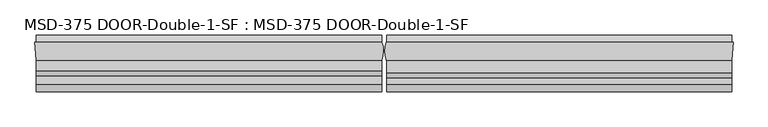
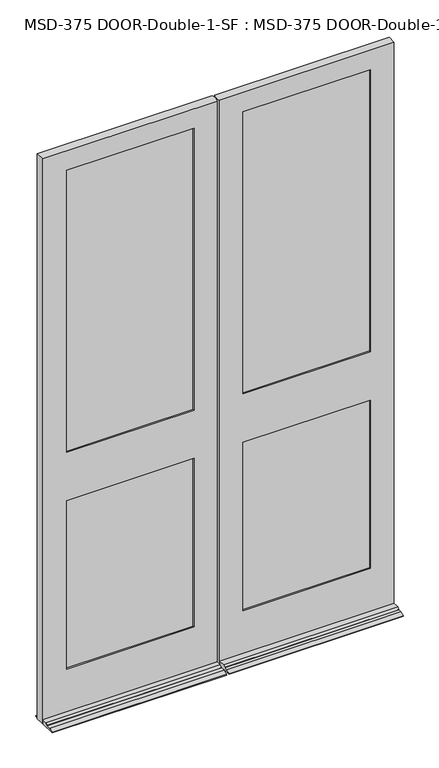
"""IFC4 building model written with IfcOpenShell, lengths in millimetres: plate geometry, MSD-375 DOOR-Double-1-SF : MSD-375 DOOR-Double-1-SF."""

from ifc_helpers import new_model, si_unit, frame, origin, place, context, project, spatial, polyline, circle_curve, outline, extrude, source, transform, mapped, element, save
from ifc_brep_helpers import plane_surface, cylinder_surface, advanced_brep


def msd_375_door_double_1_sf_msd_375_door_double_1_sf_772dcb75(model_context):
    return source(origin(), model_context, "Body", "SolidModel", [
        advanced_brep(
        [(-875.0543684, -44.45, 0.0), (-877.8229684, 0.0, 0.0), (-874.8315257, 0.0, 0.0), (-874.8315257, 19.05, 0.0), (-6.1450388, 19.05, 0.0), (-6.1450388, 0.0, 0.0), (-5.5889985, 0.0, 0.0), (-6.1450388, -44.45, 0.0), (-6.1450388, -123.825, 0.0), (-874.8315257, -123.825, 0.0), (-874.8315257, -44.45, 0.0), (-6.1450388, -44.45, 21.4376), (-6.1450388, -70.3199, 21.4376), (-6.1450388, -82.7405, 14.2748), (-6.1450388, -82.7405, 12.7), (-6.1450388, -104.775, 12.7), (-6.1450388, -123.825, 3.175), (-6.1450388, 19.05, 3.175), (-6.1450388, 0.0, 12.7), (-874.8315257, 0.0, 12.7), (-874.8315257, 19.05, 3.175), (-874.8315257, -123.825, 3.175), (-874.8315257, -104.775, 12.7), (-874.8315257, -82.7405, 12.7), (-874.8315257, -82.7405, 14.2748), (-874.8315257, -70.3199, 21.4376), (-874.8315257, -44.45, 21.4376), (-122.2373508, -11.6078, 1366.0374), (-122.2373508, -37.0078, 1366.0374), (-122.2373508, -37.0078, 1151.7122), (-122.2373508, -11.6078, 1151.7122), (-122.2373508, 0.0, 1131.8748), (-122.2373508, 0.0, 246.0625), (-122.2373508, -11.6078, 246.0625), (-122.2373508, -11.6078, 1131.8748), (-122.2373508, -11.6078, 1385.8748), (-122.2373508, -11.6078, 2870.2), (-122.2373508, 0.0, 2870.2), (-122.2373508, 0.0, 1385.8748), (-102.3999508, -37.0078, 2890.0374), (-102.3999508, -11.6078, 2890.0374), (-102.3999508, -11.6078, 226.21875), (-102.3999508, -37.0078, 226.21875), (-122.2373508, -37.0078, 1131.8748), (-122.2373508, -37.0078, 246.0625), (-122.2373508, -44.45, 246.0625), (-122.2373508, -44.45, 1131.8748), (-122.2373508, -44.45, 1385.8748), (-122.2373508, -44.45, 2870.2), (-122.2373508, -37.0078, 2870.2), (-122.2373508, -37.0078, 1385.8748), (-757.1729684, -44.45, 246.0625), (-757.1729684, -37.0078, 246.0625), (-757.1729684, -37.0078, 1131.8748), (-757.1729684, -44.45, 1131.8748), (-757.1729684, -37.0078, 2870.2), (-757.1729684, -44.45, 2870.2), (-757.1729684, -44.45, 1385.8748), (-757.1729684, -37.0078, 1385.8748), (-777.0103684, -11.6078, 2890.0374), (-777.0103684, -37.0078, 2890.0374), (-777.0103684, -37.0078, 226.21875), (-777.0103684, -11.6078, 226.21875), (-757.1729684, -11.6078, 246.0625), (-757.1729684, 0.0, 246.0625), (-757.1729684, 0.0, 1131.8748), (-757.1729684, -11.6078, 1131.8748), (-757.1729684, 0.0, 2870.2), (-757.1729684, -11.6078, 2870.2), (-757.1729684, -11.6078, 1385.8748), (-757.1729684, 0.0, 1385.8748), (-757.1729684, -11.6078, 1366.0374), (-757.1729684, -37.0078, 1366.0374), (-757.1729684, -37.0078, 1151.7122), (-757.1729684, -11.6078, 1151.7122), (-5.5889985, 0.0, 2971.8), (-6.1450388, -44.45, 2971.8), (-875.0543684, -44.45, 2971.8), (-877.8229684, 0.0, 2971.8)],
        [
            (0, 1),
            (1, 2),
            (2, 3),
            (3, 4),
            (4, 5),
            (5, 6),
            (6, 7, circle_curve(frame((-61.4514685, -21.529675, 0.0), z_axis=(0.0, 0.0, -1.0), x_axis=(0.0, -1.0, 0.0)), 59.867708)),
            (7, 8),
            (8, 9),
            (9, 10),
            (10, 0),
            (11, 12),
            (12, 13),
            (13, 14),
            (14, 15),
            (15, 16),
            (16, 8),
            (7, 11),
            (4, 17),
            (17, 18),
            (18, 5),
            (19, 20),
            (20, 3),
            (2, 19),
            (9, 21),
            (21, 22),
            (22, 23),
            (23, 24),
            (24, 25),
            (25, 26),
            (26, 10),
            (27, 28),
            (28, 29),
            (29, 30),
            (30, 27),
            (31, 32),
            (32, 33),
            (33, 34),
            (34, 31),
            (35, 36),
            (36, 37),
            (37, 38),
            (38, 35),
            (39, 40),
            (40, 41),
            (41, 42),
            (42, 39),
            (43, 44),
            (44, 45),
            (45, 46),
            (46, 43),
            (47, 48),
            (48, 49),
            (49, 50),
            (50, 47),
            (51, 52),
            (52, 53),
            (53, 54),
            (54, 51),
            (55, 56),
            (56, 57),
            (57, 58),
            (58, 55),
            (59, 60),
            (60, 61),
            (61, 62),
            (62, 59),
            (63, 64),
            (64, 65),
            (65, 66),
            (66, 63),
            (67, 68),
            (68, 69),
            (69, 70),
            (70, 67),
            (63, 33),
            (32, 64),
            (61, 42),
            (41, 62),
            (51, 45),
            (44, 52),
            (11, 26),
            (25, 12),
            (24, 13),
            (23, 14),
            (22, 15),
            (21, 16),
            (20, 17),
            (19, 18),
            (38, 70),
            (69, 35),
            (27, 71),
            (71, 72),
            (72, 28),
            (50, 58),
            (57, 47),
            (46, 54),
            (53, 43),
            (29, 73),
            (73, 74),
            (74, 30),
            (34, 66),
            (65, 31),
            (75, 76, circle_curve(frame((-61.4514685, -21.529675, 2971.8), z_axis=(0.0, 0.0, -1.0), x_axis=(0.0, -1.0, 0.0)), 59.867708)),
            (76, 11),
            (6, 75),
            (77, 78),
            (78, 1),
            (0, 77),
            (78, 75),
            (37, 67),
            (36, 68),
            (40, 59),
            (74, 71),
            (39, 60),
            (49, 55),
            (72, 73),
            (48, 56),
            (76, 77),
        ],
        [
            plane_surface(frame((-882.6501356, -24.3078, 0.0), z_axis=(0.0, 0.0, -1.0), x_axis=(0.0, -1.0, 0.0))),
            plane_surface(frame((-6.1450388, -24.3078, 0.0), z_axis=(1.0, 0.0, 0.0), x_axis=(0.0, -1.0, 0.0))),
            plane_surface(frame((-874.8315257, -24.3078, 0.0), z_axis=(-1.0, 0.0, 0.0), x_axis=(0.0, -1.0, 0.0))),
            plane_surface(frame((-122.2373508, -24.3078, 1492.25), z_axis=(1.0, 0.0, 0.0), x_axis=(0.0, -1.0, 0.0))),
            plane_surface(frame((-122.2373508, 0.0, 2971.8), z_axis=(-1.0, 0.0, 0.0), x_axis=(0.0, 0.0, -1.0))),
            plane_surface(frame((-102.3999508, -11.6078, 2971.8), z_axis=(-1.0, 0.0, 0.0), x_axis=(0.0, 0.0, -1.0))),
            plane_surface(frame((-122.2373508, -37.0078, 2971.8), z_axis=(-1.0, 0.0, 0.0), x_axis=(0.0, 0.0, -1.0))),
            plane_surface(frame((-757.1729684, -44.45, 2971.8), z_axis=(1.0, 0.0, 0.0), x_axis=(0.0, 0.0, -1.0))),
            plane_surface(frame((-777.0103684, -37.0078, 2971.8), z_axis=(1.0, 0.0, 0.0), x_axis=(0.0, 0.0, -1.0))),
            plane_surface(frame((-757.1729684, -11.6078, 2971.8), z_axis=(1.0, 0.0, 0.0), x_axis=(0.0, 0.0, -1.0))),
            plane_surface(frame((-6.1450388, 0.0, 246.0625), z_axis=(0.0, 0.0, 1.0), x_axis=(-1.0, 0.0, 0.0))),
            plane_surface(frame((-6.1450388, -11.6078, 226.21875), z_axis=(0.0, 0.0, 1.0), x_axis=(-1.0, 0.0, 0.0))),
            plane_surface(frame((-6.1450388, -37.0078, 246.0625), z_axis=(0.0, 0.0, 1.0), x_axis=(-1.0, 0.0, 0.0))),
            plane_surface(frame((-6.1450388, -44.45, 21.4376), z_axis=(0.0, 0.0, 1.0), x_axis=(-1.0, 0.0, 0.0))),
            plane_surface(frame((-6.1450388, -70.3199, 21.4376), z_axis=(0.0, -0.4995690841887311, 0.8662740502420885), x_axis=(-1.0, 0.0, 0.0))),
            plane_surface(frame((-6.1450388, -82.7405, 14.2748), z_axis=(0.0, -1.0, 0.0), x_axis=(-1.0, 0.0, 0.0))),
            plane_surface(frame((-6.1450388, -82.7405, 12.7), z_axis=(0.0, 0.0, 1.0), x_axis=(-1.0, 0.0, 0.0))),
            plane_surface(frame((-6.1450388, -104.775, 12.7), z_axis=(0.0, -0.44721359549996303, 0.8944271909999134), x_axis=(-1.0, 0.0, 0.0))),
            plane_surface(frame((-6.1450388, -123.825, 3.175), z_axis=(0.0, -1.0, 0.0), x_axis=(-1.0, 0.0, 0.0))),
            plane_surface(frame((-6.1450388, 19.05, 0.0), z_axis=(0.0, 1.0, 0.0), x_axis=(-1.0, 0.0, 0.0))),
            plane_surface(frame((-6.1450388, 19.05, 3.175), z_axis=(0.0, 0.4472135954998544, 0.8944271909999677), x_axis=(-1.0, 0.0, 0.0))),
            plane_surface(frame((-122.2373508, 0.0, 1385.8748), z_axis=(0.0, 0.0, 1.0), x_axis=(-1.0, 0.0, 0.0))),
            plane_surface(frame((-122.2373508, -11.6078, 1366.0374), z_axis=(0.0, 0.0, 1.0), x_axis=(-1.0, 0.0, 0.0))),
            plane_surface(frame((-122.2373508, -37.0078, 1385.8748), z_axis=(0.0, 0.0, 1.0), x_axis=(-1.0, 0.0, 0.0))),
            plane_surface(frame((-122.2373508, -44.45, 1131.8748), z_axis=(0.0, 0.0, -1.0), x_axis=(-1.0, 0.0, 0.0))),
            plane_surface(frame((-122.2373508, -37.0078, 1151.7122), z_axis=(0.0, 0.0, -1.0), x_axis=(-1.0, 0.0, 0.0))),
            plane_surface(frame((-122.2373508, -11.6078, 1131.8748), z_axis=(0.0, 0.0, -1.0), x_axis=(-1.0, 0.0, 0.0))),
            cylinder_surface(frame((-61.4514685, -21.529675, 2971.8), z_axis=(0.0, 0.0, 1.0), x_axis=(0.0, -1.0, 0.0)), 59.867708),
            plane_surface(frame((-877.8229684, 0.0, 2971.8), z_axis=(-0.998065870687919, -0.06216524565998525, 0.0), x_axis=(0.0, 0.0, -1.0))),
            plane_surface(frame((-875.0543684, 0.0, 2971.8), z_axis=(0.0, 1.0, 0.0), x_axis=(1.0, 0.0, 0.0))),
            plane_surface(frame((-875.0543684, 0.0, 2870.2), z_axis=(0.0, 0.0, -1.0), x_axis=(1.0, 0.0, 0.0))),
            plane_surface(frame((-875.0543684, -11.6078, 2870.2), z_axis=(0.0, -1.0, 0.0), x_axis=(1.0, 0.0, 0.0))),
            plane_surface(frame((-875.0543684, -11.6078, 2890.0374), z_axis=(0.0, 0.0, -1.0), x_axis=(1.0, 0.0, 0.0))),
            plane_surface(frame((-875.0543684, -37.0078, 2890.0374), z_axis=(0.0, 1.0, 0.0), x_axis=(1.0, 0.0, 0.0))),
            plane_surface(frame((-875.0543684, -37.0078, 2870.2), z_axis=(0.0, 0.0, -1.0), x_axis=(1.0, 0.0, 0.0))),
            plane_surface(frame((-875.0543684, -44.45, 2870.2), z_axis=(0.0, -1.0, 0.0), x_axis=(1.0, 0.0, 0.0))),
            plane_surface(frame((-875.0543684, -44.45, 2971.8), z_axis=(0.0, 0.0, 1.0), x_axis=(1.0, 0.0, 0.0))),
            plane_surface(frame((-757.1729684, -24.3078, 1492.25), z_axis=(-1.0, 0.0, 0.0), x_axis=(0.0, -1.0, 0.0))),
        ],
        [
            (0, [[1, 2, 3, 4, 5, 6, 7, 8, 9, 10, 11]]),
            (1, [[12, 13, 14, 15, 16, 17, -8, 18]]),
            (1, [[19, 20, 21, -5]]),
            (2, [[22, 23, -3, 24]]),
            (2, [[25, 26, 27, 28, 29, 30, 31, -10]]),
            (3, [[32, 33, 34, 35]]),
            (4, [[36, 37, 38, 39]]),
            (4, [[40, 41, 42, 43]]),
            (5, [[44, 45, 46, 47]]),
            (6, [[48, 49, 50, 51]]),
            (6, [[52, 53, 54, 55]]),
            (7, [[56, 57, 58, 59]]),
            (7, [[60, 61, 62, 63]]),
            (8, [[64, 65, 66, 67]]),
            (9, [[68, 69, 70, 71]]),
            (9, [[72, 73, 74, 75]]),
            (10, [[-68, 76, -37, 77]]),
            (11, [[-66, 78, -46, 79]]),
            (12, [[-56, 80, -49, 81]]),
            (13, [[-12, 82, -30, 83]]),
            (14, [[-13, -83, -29, 84]]),
            (15, [[-14, -84, -28, 85]]),
            (16, [[-15, -85, -27, 86]]),
            (17, [[-16, -86, -26, 87]]),
            (18, [[-17, -87, -25, -9]]),
            (19, [[-19, -4, -23, 88]]),
            (20, [[-20, -88, -22, 89]]),
            (21, [[90, -74, 91, -43]]),
            (22, [[-32, 92, 93, 94]]),
            (23, [[95, -62, 96, -55]]),
            (24, [[97, -58, 98, -51]]),
            (25, [[-34, 99, 100, 101]]),
            (26, [[102, -70, 103, -39]]),
            (27, [[104, 105, -18, -7, 106]]),
            (28, [[107, 108, -1, 109]]),
            (29, [[-108, 110, -106, -6, -21, -89, -24, -2], [-90, -42, 111, -75], [-103, -69, -77, -36]]),
            (30, [[-72, -111, -41, 112]]),
            (31, [[-67, -79, -45, 113], [-92, -35, -101, 114], [-102, -38, -76, -71], [-91, -73, -112, -40]]),
            (32, [[-64, -113, -44, 115]]),
            (33, [[-65, -115, -47, -78], [-95, -54, 116, -63], [-94, 117, -99, -33], [-98, -57, -81, -48]]),
            (34, [[-60, -116, -53, 118]]),
            (35, [[-109, -11, -31, -82, -105, 119], [-97, -50, -80, -59], [-96, -61, -118, -52]]),
            (36, [[-107, -119, -104, -110]]),
            (37, [[-100, -117, -93, -114]]),
        ],
    ),
        advanced_brep(
        [(6.1450388, -44.45, 0.0), (5.5889985, 0.0, 0.0), (6.1450388, 0.0, 0.0), (6.1450388, 19.05, 0.0), (874.318935, 19.05, 0.0), (874.318935, 0.0, 0.0), (877.3103777, 0.0, 0.0), (874.5417777, -44.45, 0.0), (874.318935, -44.45, 0.0), (874.318935, -123.825, 0.0), (6.1450388, -123.825, 0.0), (874.318935, -44.45, 21.4376), (874.318935, -75.87615, 21.4376), (874.318935, -88.29675, 14.2748), (874.318935, -88.29675, 12.7), (874.318935, -104.775, 12.7), (874.318935, -123.825, 3.175), (874.318935, 19.05, 3.175), (874.318935, 0.0, 12.7), (6.1450388, 0.0, 12.7), (6.1450388, 19.05, 3.175), (6.1450388, -123.825, 3.175), (6.1450388, -104.775, 12.7), (6.1450388, -88.29675, 12.7), (6.1450388, -88.29675, 14.2748), (6.1450388, -75.87615, 21.4376), (6.1450388, -44.45, 21.4376), (5.5889985, -44.45, 2870.2), (5.5889985, -44.45, 2971.8), (5.5889985, -43.05935, 2971.8), (5.5889985, -43.05935, 2870.2), (122.2376492, -37.0078, 1366.0374), (122.2376492, -11.6078, 1366.0374), (122.2376492, -11.6078, 1151.7249), (122.2376492, -37.0078, 1151.7249), (122.2376492, -37.0078, 2870.2), (122.2376492, -44.45, 2870.2), (122.2376492, -44.45, 1385.8748), (122.2376492, -37.0078, 1385.8748), (122.2376492, -37.0078, 1131.8748), (122.2376492, -44.45, 1131.8748), (122.2376492, -44.45, 246.0625), (122.2376492, -37.0078, 246.0625), (102.4002492, -11.6078, 226.21875), (102.4002492, -11.6078, 2890.0374), (102.4002492, -37.0078, 2890.0374), (102.4002492, -37.0078, 226.21875), (122.2376492, 0.0, 2870.2), (122.2376492, -11.6078, 2870.2), (122.2376492, -11.6078, 1385.8748), (122.2376492, 0.0, 1385.8748), (122.2376492, 0.0, 1131.8748), (122.2376492, -11.6078, 1131.8748), (122.2376492, -11.6078, 246.0625), (122.2376492, 0.0, 246.0625), (756.6603777, -11.6078, 2870.2), (756.6603777, 0.0, 2870.2), (756.6603777, 0.0, 1385.8748), (756.6603777, -11.6078, 1385.8748), (756.6603777, -11.6078, 1131.8748), (756.6603777, 0.0, 1131.8748), (756.6603777, 0.0, 246.0625), (756.6603777, -11.6078, 246.0625), (776.4977777, -11.6078, 2890.0374), (776.4977777, -11.6078, 226.21875), (756.6603777, -11.6078, 1151.7249), (756.6603777, -11.6078, 1366.0374), (776.4977777, -37.0078, 226.21875), (776.4977777, -37.0078, 2890.0374), (756.6603777, -37.0078, 246.0625), (756.6603777, -37.0078, 1131.8748), (756.6603777, -37.0078, 2870.2), (756.6603777, -37.0078, 1385.8748), (756.6603777, -37.0078, 1151.7249), (756.6603777, -37.0078, 1366.0374), (756.6603777, -44.45, 2870.2), (756.6603777, -44.45, 1385.8748), (756.6603777, -44.45, 1131.8748), (756.6603777, -44.45, 246.0625), (6.1450388, -44.45, 2870.2), (874.5417777, -44.45, 2971.8), (877.3103777, 0.0, 2971.8), (5.5889985, 0.0, 2971.8)],
        [
            (0, 1, circle_curve(frame((61.4514685, -21.529675, 0.0), z_axis=(0.0, 0.0, -1.0), x_axis=(0.0, -1.0, 0.0)), 59.867708)),
            (1, 2),
            (2, 3),
            (3, 4),
            (4, 5),
            (5, 6),
            (6, 7),
            (7, 8),
            (8, 9),
            (9, 10),
            (10, 0),
            (11, 12),
            (12, 13),
            (13, 14),
            (14, 15),
            (15, 16),
            (16, 9),
            (8, 11),
            (4, 17),
            (17, 18),
            (18, 5),
            (19, 20),
            (20, 3),
            (2, 19),
            (10, 21),
            (21, 22),
            (22, 23),
            (23, 24),
            (24, 25),
            (25, 26),
            (26, 0),
            (27, 28),
            (28, 29),
            (29, 30),
            (30, 27),
            (31, 32),
            (32, 33),
            (33, 34),
            (34, 31),
            (35, 36),
            (36, 37),
            (37, 38),
            (38, 35),
            (39, 40),
            (40, 41),
            (41, 42),
            (42, 39),
            (43, 44),
            (44, 45),
            (45, 46),
            (46, 43),
            (47, 48),
            (48, 49),
            (49, 50),
            (50, 47),
            (51, 52),
            (52, 53),
            (53, 54),
            (54, 51),
            (55, 56),
            (56, 57),
            (57, 58),
            (58, 55),
            (59, 60),
            (60, 61),
            (61, 62),
            (62, 59),
            (63, 44),
            (43, 64),
            (64, 63),
            (62, 53),
            (52, 59),
            (48, 55),
            (58, 49),
            (65, 33),
            (32, 66),
            (66, 65),
            (67, 68),
            (68, 63),
            (64, 67),
            (45, 68),
            (67, 46),
            (42, 69),
            (69, 70),
            (70, 39),
            (71, 35),
            (38, 72),
            (72, 71),
            (34, 73),
            (73, 74),
            (74, 31),
            (75, 71),
            (72, 76),
            (76, 75),
            (77, 70),
            (69, 78),
            (78, 77),
            (27, 79),
            (79, 26),
            (26, 11),
            (7, 80),
            (80, 28),
            (78, 41),
            (40, 77),
            (36, 75),
            (76, 37),
            (81, 80),
            (6, 81),
            (18, 19),
            (1, 82),
            (82, 81),
            (54, 61),
            (60, 51),
            (56, 47),
            (50, 57),
            (30, 79, circle_curve(frame((61.4514685, -21.529675, 2870.2), z_axis=(0.0, 0.0, 1.0), x_axis=(0.0, -1.0, 0.0)), 59.867708)),
            (25, 12),
            (65, 73),
            (74, 66),
            (29, 82, circle_curve(frame((61.4514685, -21.529675, 2971.8), z_axis=(0.0, 0.0, -1.0), x_axis=(0.0, -1.0, 0.0)), 59.867708)),
            (24, 13),
            (23, 14),
            (22, 15),
            (21, 16),
            (20, 17),
        ],
        [
            plane_surface(frame((-882.6501356, -24.3078, 0.0), z_axis=(0.0, 0.0, -1.0), x_axis=(0.0, -1.0, 0.0))),
            plane_surface(frame((874.318935, -24.3078, 0.0), z_axis=(1.0, 0.0, 0.0), x_axis=(0.0, -1.0, 0.0))),
            plane_surface(frame((6.1450388, -24.3078, 0.0), z_axis=(-1.0, 0.0, 0.0), x_axis=(0.0, -1.0, 0.0))),
            plane_surface(frame((5.5889985, -24.3078, 2984.5), z_axis=(-1.0, 0.0, 0.0), x_axis=(0.0, -1.0, 0.0))),
            plane_surface(frame((122.2376492, -24.3078, 1492.25), z_axis=(-1.0, 0.0, 0.0), x_axis=(0.0, -1.0, 0.0))),
            plane_surface(frame((122.2376492, -44.45, 2971.8), z_axis=(1.0, 0.0, 0.0), x_axis=(0.0, 0.0, -1.0))),
            plane_surface(frame((102.4002492, -37.0078, 2971.8), z_axis=(1.0, 0.0, 0.0), x_axis=(0.0, 0.0, -1.0))),
            plane_surface(frame((122.2376492, -11.6078, 2971.8), z_axis=(1.0, 0.0, 0.0), x_axis=(0.0, 0.0, -1.0))),
            plane_surface(frame((756.6603777, 0.0, 2971.8), z_axis=(-1.0, 0.0, 0.0), x_axis=(0.0, 0.0, -1.0))),
            plane_surface(frame((756.6603777, -11.6078, 2971.8), z_axis=(0.0, -1.0, 0.0), x_axis=(0.0, 0.0, -1.0))),
            plane_surface(frame((776.4977777, -11.6078, 2971.8), z_axis=(-1.0, 0.0, 0.0), x_axis=(0.0, 0.0, -1.0))),
            plane_surface(frame((776.4977777, -37.0078, 2971.8), z_axis=(0.0, 1.0, 0.0), x_axis=(0.0, 0.0, -1.0))),
            plane_surface(frame((756.6603777, -37.0078, 2971.8), z_axis=(-1.0, 0.0, 0.0), x_axis=(0.0, 0.0, -1.0))),
            plane_surface(frame((756.6603777, -44.45, 2971.8), z_axis=(0.0, -1.0, 0.0), x_axis=(0.0, 0.0, -1.0))),
            plane_surface(frame((874.5417777, -44.45, 2971.8), z_axis=(0.9980658706879184, -0.062165245659993755, 0.0), x_axis=(0.0, 0.0, -1.0))),
            plane_surface(frame((877.3103777, 0.0, 2971.8), z_axis=(0.0, 1.0, 0.0), x_axis=(0.0, 0.0, -1.0))),
            plane_surface(frame((5.5889985, 0.0, 2870.2), z_axis=(0.0, 0.0, -1.0), x_axis=(1.0, 0.0, 0.0))),
            plane_surface(frame((5.5889985, -11.6078, 2890.0374), z_axis=(0.0, 0.0, -1.0), x_axis=(1.0, 0.0, 0.0))),
            plane_surface(frame((5.5889985, -37.0078, 2870.2), z_axis=(0.0, 0.0, -1.0), x_axis=(1.0, 0.0, 0.0))),
            plane_surface(frame((874.318935, 0.0, 246.0625), z_axis=(0.0, 0.0, 1.0), x_axis=(-1.0, 0.0, 0.0))),
            plane_surface(frame((874.318935, -11.6078, 226.21875), z_axis=(0.0, 0.0, 1.0), x_axis=(-1.0, 0.0, 0.0))),
            plane_surface(frame((874.318935, -37.0078, 246.0625), z_axis=(0.0, 0.0, 1.0), x_axis=(-1.0, 0.0, 0.0))),
            plane_surface(frame((874.318935, -44.45, 21.4376), z_axis=(0.0, 0.0, 1.0), x_axis=(-1.0, 0.0, 0.0))),
            plane_surface(frame((756.6603777, -44.45, 1131.8748), z_axis=(0.0, 0.0, -1.0), x_axis=(-1.0, 0.0, 0.0))),
            plane_surface(frame((756.6603777, -37.0078, 1151.7249), z_axis=(0.0, 0.0, -1.0), x_axis=(-1.0, 0.0, 0.0))),
            plane_surface(frame((756.6603777, -11.6078, 1131.8748), z_axis=(0.0, 0.0, -1.0), x_axis=(-1.0, 0.0, 0.0))),
            plane_surface(frame((756.6603777, 0.0, 1385.8748), z_axis=(0.0, 0.0, 1.0), x_axis=(-1.0, 0.0, 0.0))),
            plane_surface(frame((756.6603777, -11.6078, 1366.0374), z_axis=(0.0, 0.0, 1.0), x_axis=(-1.0, 0.0, 0.0))),
            plane_surface(frame((756.6603777, -37.0078, 1385.8748), z_axis=(0.0, 0.0, 1.0), x_axis=(-1.0, 0.0, 0.0))),
            cylinder_surface(frame((61.4514685, -21.529675, 2971.8), z_axis=(0.0, 0.0, 1.0), x_axis=(0.0, -1.0, 0.0)), 59.867708),
            plane_surface(frame((-875.0543684, -44.45, 2971.8), z_axis=(0.0, 0.0, 1.0), x_axis=(1.0, 0.0, 0.0))),
            plane_surface(frame((874.318935, -75.87615, 21.4376), z_axis=(0.0, -0.49956908418867657, 0.86627405024212), x_axis=(-1.0, 0.0, 0.0))),
            plane_surface(frame((874.318935, -88.29675, 14.2748), z_axis=(0.0, -1.0, 0.0), x_axis=(-1.0, 0.0, 0.0))),
            plane_surface(frame((874.318935, -88.29675, 12.7), z_axis=(0.0, 0.0, 1.0), x_axis=(-1.0, 0.0, 0.0))),
            plane_surface(frame((874.318935, -104.775, 12.7), z_axis=(0.0, -0.44721359549996875, 0.8944271909999105), x_axis=(-1.0, 0.0, 0.0))),
            plane_surface(frame((874.318935, -123.825, 3.175), z_axis=(0.0, -1.0, 0.0), x_axis=(-1.0, 0.0, 0.0))),
            plane_surface(frame((874.318935, 19.05, 0.0), z_axis=(0.0, 1.0, 0.0), x_axis=(-1.0, 0.0, 0.0))),
            plane_surface(frame((874.318935, 19.05, 3.175), z_axis=(0.0, 0.44721359549990647, 0.8944271909999417), x_axis=(-1.0, 0.0, 0.0))),
            plane_surface(frame((756.6603777, -24.3078, 1492.25), z_axis=(1.0, 0.0, 0.0), x_axis=(0.0, -1.0, 0.0))),
        ],
        [
            (0, [[1, 2, 3, 4, 5, 6, 7, 8, 9, 10, 11]]),
            (1, [[12, 13, 14, 15, 16, 17, -9, 18]]),
            (1, [[19, 20, 21, -5]]),
            (2, [[22, 23, -3, 24]]),
            (2, [[25, 26, 27, 28, 29, 30, 31, -11]]),
            (3, [[32, 33, 34, 35]]),
            (4, [[36, 37, 38, 39]]),
            (5, [[40, 41, 42, 43]]),
            (5, [[44, 45, 46, 47]]),
            (6, [[48, 49, 50, 51]]),
            (7, [[52, 53, 54, 55]]),
            (7, [[56, 57, 58, 59]]),
            (8, [[60, 61, 62, 63]]),
            (8, [[64, 65, 66, 67]]),
            (9, [[68, -48, 69, 70], [-67, 71, -57, 72], [73, -63, 74, -53], [75, -37, 76, 77]]),
            (10, [[78, 79, -70, 80]]),
            (11, [[81, -78, 82, -50], [-47, 83, 84, 85], [86, -43, 87, 88], [89, 90, 91, -39]]),
            (12, [[92, -88, 93, 94]]),
            (12, [[95, -84, 96, 97]]),
            (13, [[-32, 98, 99, 100, -18, -8, 101, 102], [-97, 103, -45, 104], [105, -94, 106, -41]]),
            (14, [[107, -101, -7, 108]]),
            (15, [[-108, -6, -21, 109, -24, -2, 110, 111], [-59, 112, -65, 113], [114, -55, 115, -61]]),
            (16, [[-73, -52, -114, -60]]),
            (17, [[-79, -81, -49, -68]]),
            (18, [[-98, -35, 116]]),
            (18, [[-105, -40, -86, -92]]),
            (19, [[-112, -58, -71, -66]]),
            (20, [[-82, -80, -69, -51]]),
            (21, [[-83, -46, -103, -96]]),
            (22, [[-12, -100, -30, 117]]),
            (23, [[-104, -44, -85, -95]]),
            (24, [[118, -89, -38, -75]]),
            (25, [[-72, -56, -113, -64]]),
            (26, [[-115, -54, -74, -62]]),
            (27, [[119, -76, -36, -91]]),
            (28, [[-106, -93, -87, -42]]),
            (29, [[-1, -31, -99, -116, -34, 120, -110]]),
            (30, [[-107, -111, -120, -33, -102]]),
            (31, [[-13, -117, -29, 121]]),
            (32, [[-14, -121, -28, 122]]),
            (33, [[-15, -122, -27, 123]]),
            (34, [[-16, -123, -26, 124]]),
            (35, [[-17, -124, -25, -10]]),
            (36, [[-19, -4, -23, 125]]),
            (37, [[-109, -20, -125, -22]]),
            (38, [[-118, -77, -119, -90]]),
        ],
    ),
        extrude(outline(polyline([(-777.0103684, -11.6078), (-102.3999508, -11.6078), (-102.3999508, -16.6878), (-777.0103684, -16.6878), (-777.0103684, -11.6078)])), frame((0.0, 0.0, 1366.0374), z_axis=(0.0, 0.0, 1.0), x_axis=(1.0, 0.0, 0.0)), (0.0, 0.0, 1.0), 1524.0),
        extrude(outline(polyline([(-102.4001, -26.0858), (-102.4001, -31.1658), (-777.0103684, -31.1658), (-777.0103684, -26.0858), (-102.4001, -26.0858)])), frame((0.0, 0.0, 1366.0374), z_axis=(0.0, 0.0, 1.0), x_axis=(1.0, 0.0, 0.0)), (0.0, 0.0, 1.0), 1524.0),
        extrude(outline(polyline([(-102.4001, -31.9278), (-102.4001, -37.0078), (-777.0103684, -37.0078), (-777.0103684, -31.9278), (-102.4001, -31.9278)])), frame((0.0, 0.0, 1366.0374), z_axis=(0.0, 0.0, 1.0), x_axis=(1.0, 0.0, 0.0)), (0.0, 0.0, 1.0), 1524.0),
        extrude(outline(polyline([(-777.0103684, -11.6078), (-102.4001, -11.6078), (-102.4001, -16.6878), (-777.0103684, -16.6878), (-777.0103684, -11.6078)])), frame((0.0, 0.0, 226.21875), z_axis=(0.0, 0.0, 1.0), x_axis=(1.0, 0.0, 0.0)), (0.0, 0.0, 1.0), 925.50615),
        extrude(outline(polyline([(-102.4001, -26.0858), (-102.4001, -31.1658), (-777.0103684, -31.1658), (-777.0103684, -26.0858), (-102.4001, -26.0858)])), frame((0.0, 0.0, 226.21875), z_axis=(0.0, 0.0, 1.0), x_axis=(1.0, 0.0, 0.0)), (0.0, 0.0, 1.0), 925.50615),
        extrude(outline(polyline([(-777.0103684, -31.9278), (-102.4001, -31.9278), (-102.4001, -37.0078), (-777.0103684, -37.0078), (-777.0103684, -31.9278)])), frame((0.0, 0.0, 226.21875), z_axis=(0.0, 0.0, 1.0), x_axis=(1.0, 0.0, 0.0)), (0.0, 0.0, 1.0), 925.50615),
        extrude(outline(polyline([(776.4977777, -11.6078), (776.4977777, -16.6878), (102.4002492, -16.6878), (102.4002492, -11.6078), (776.4977777, -11.6078)])), frame((0.0, 0.0, 1366.0374), z_axis=(0.0, 0.0, 1.0), x_axis=(1.0, 0.0, 0.0)), (0.0, 0.0, 1.0), 1524.0),
        extrude(outline(polyline([(102.4002492, -26.0858), (776.4977777, -26.0858), (776.4977777, -31.1658), (102.4002492, -31.1658), (102.4002492, -26.0858)])), frame((0.0, 0.0, 1366.0374), z_axis=(0.0, 0.0, 1.0), x_axis=(1.0, 0.0, 0.0)), (0.0, 0.0, 1.0), 1524.0),
        extrude(outline(polyline([(776.4977777, -31.9278), (776.4977777, -37.0078), (102.4002492, -37.0078), (102.4002492, -31.9278), (776.4977777, -31.9278)])), frame((0.0, 0.0, 1366.0374), z_axis=(0.0, 0.0, 1.0), x_axis=(1.0, 0.0, 0.0)), (0.0, 0.0, 1.0), 1524.0),
        extrude(outline(polyline([(102.4002492, -11.6078), (776.4977777, -11.6078), (776.4977777, -16.6878), (102.4002492, -16.6878), (102.4002492, -11.6078)])), frame((0.0, 0.0, 226.21875), z_axis=(0.0, 0.0, 1.0), x_axis=(1.0, 0.0, 0.0)), (0.0, 0.0, 1.0), 925.50615),
        extrude(outline(polyline([(776.4977777, -26.0858), (776.4977777, -31.1658), (102.4002492, -31.1658), (102.4002492, -26.0858), (776.4977777, -26.0858)])), frame((0.0, 0.0, 226.21875), z_axis=(0.0, 0.0, 1.0), x_axis=(1.0, 0.0, 0.0)), (0.0, 0.0, 1.0), 925.50615),
        extrude(outline(polyline([(102.4002492, -31.9278), (776.4977777, -31.9278), (776.4977777, -37.0078), (102.4002492, -37.0078), (102.4002492, -31.9278)])), frame((0.0, 0.0, 226.21875), z_axis=(0.0, 0.0, 1.0), x_axis=(1.0, 0.0, 0.0)), (0.0, 0.0, 1.0), 925.50615),
    ])


if __name__ == "__main__":
    model = new_model("IFC4")
    model_context = context("Model", 3, world=origin())
    ifc_project = project(units=[si_unit("LENGTHUNIT", "METRE", prefix="MILLI")], contexts=[model_context])
    site = spatial("IfcSite", under=ifc_project)
    building = spatial("IfcBuilding", under=site)
    placement = place(None, origin())
    msd_375_door_double_1_sf_msd_375_door_double_1_sf_shape = msd_375_door_double_1_sf_msd_375_door_double_1_sf_772dcb75(model_context)
    element("IfcPlate", 1, ObjectType="MSD-375 DOOR-Double-1-SF : MSD-375 DOOR-Double-1-SF", at=placement, inside=building, context=model_context, shape_type="MappedRepresentation", body=[
        mapped(msd_375_door_double_1_sf_msd_375_door_double_1_sf_shape, transform((0.0, 0.0, 0.0), x_axis=(1.0, 0.0, 0.0), y_axis=(0.0, 1.0, 0.0), z_axis=(0.0, 0.0, 1.0))),
    ])
    save(model, "model.ifc")
